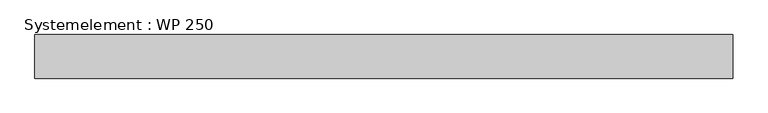
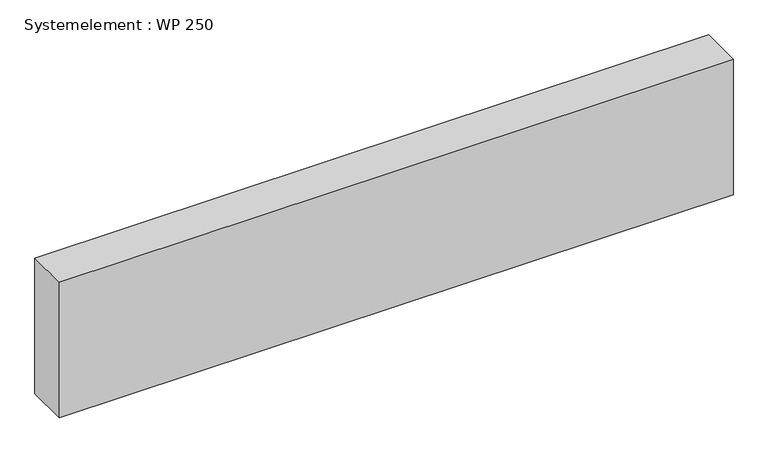
"""IFC4 building model written with IfcOpenShell, lengths in millimetres: plate geometry, Systemelement : WP 250."""

from ifc_helpers import new_model, si_unit, origin, origin_with_axes, place, context, project, spatial, polyline, outline, extrude, source, transform, mapped, element, save


def systemelement_wp_250_c4e4e9a3(model_context):
    return source(origin(), model_context, "Body", "SweptSolid", [
        extrude(outline(polyline([(2000.0, -250.0), (-2000.0, -250.0), (-2000.0, 0.0), (2000.0, 0.0), (2000.0, -250.0)])), origin_with_axes(), (0.0, 0.0, 1.0), 851.6147161),
    ])


if __name__ == "__main__":
    model = new_model("IFC4")
    model_context = context("Model", 3, world=origin())
    ifc_project = project(units=[si_unit("LENGTHUNIT", "METRE", prefix="MILLI")], contexts=[model_context])
    site = spatial("IfcSite", under=ifc_project)
    building = spatial("IfcBuilding", under=site)
    placement = place(None, origin())
    systemelement_wp_250_shape = systemelement_wp_250_c4e4e9a3(model_context)
    element("IfcPlate", 1, ObjectType="Systemelement : WP 250", at=placement, inside=building, context=model_context, shape_type="MappedRepresentation", body=[
        mapped(systemelement_wp_250_shape, transform((0.0, 0.0, 0.0), x_axis=(1.0, 0.0, 0.0), y_axis=(0.0, 1.0, 0.0), z_axis=(0.0, 0.0, 1.0))),
    ])
    save(model, "model.ifc")
